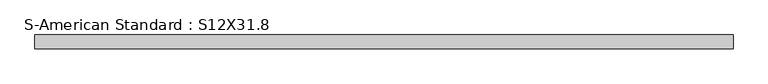
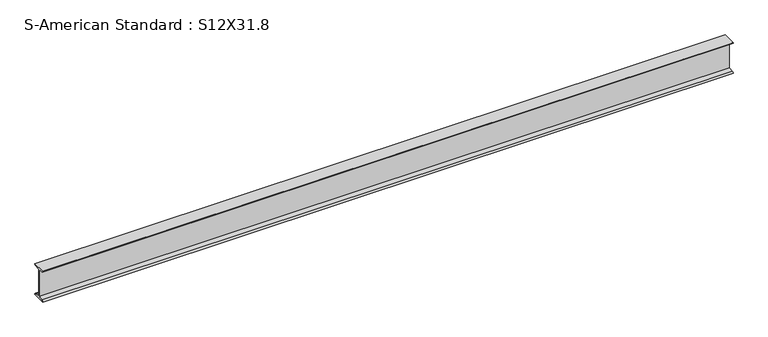
"""IFC4 building model written with IfcOpenShell, lengths in millimetres: beam geometry, S-American Standard : S12X31.8."""

from ifc_helpers import new_model, si_unit, point, frame, frame_2d, origin, place, context, project, spatial, polyline, circle_curve, trimmed, segment, composite_curve, outline, extrude, source, transform, mapped, element, save


def s_american_standard_s12x31_8_31b8485e(model_context):
    return source(origin(), model_context, "Body", "SweptSolid", [
        extrude(outline(composite_curve([segment(polyline([(-63.5, 152.4), (63.5, 152.4)]), True, "CONTINUOUS"), segment(trimmed(circle_curve(frame_2d((49.7, 152.4)), 13.8), [point((63.5, 152.4))], [point((49.7, 138.6))], False, "CARTESIAN"), True, "CONTINUOUS"), segment(polyline([(49.7, 138.6), (4.45, 131.4331041), (4.45, -131.4331041), (49.7, -138.6)]), True, "CONTINUOUS"), segment(trimmed(circle_curve(frame_2d((49.7, -152.4)), 13.8), [point((49.7, -138.6))], [point((63.5, -152.4))], False, "CARTESIAN"), True, "CONTINUOUS"), segment(polyline([(63.5, -152.4), (-63.5, -152.4)]), True, "CONTINUOUS"), segment(trimmed(circle_curve(frame_2d((-49.7, -152.4)), 13.8), [point((-63.5, -152.4))], [point((-49.7, -138.6))], False, "CARTESIAN"), True, "CONTINUOUS"), segment(polyline([(-49.7, -138.6), (-4.45, -131.4331041), (-4.45, 131.4331041), (-49.7, 138.6)]), True, "CONTINUOUS"), segment(trimmed(circle_curve(frame_2d((-49.7, 152.4)), 13.8), [point((-49.7, 138.6))], [point((-63.5, 152.4))], False, "CARTESIAN"), True, "CONTINUOUS")], self_intersect=False)), frame((-3205.4944159, 0.0, 0.0), z_axis=(1.0, 0.0, 0.0), x_axis=(0.0, 1.0, 0.0)), (0.0, 0.0, 1.0), 6471.5001848),
    ])


if __name__ == "__main__":
    model = new_model("IFC4")
    model_context = context("Model", 3, world=origin())
    ifc_project = project(units=[si_unit("LENGTHUNIT", "METRE", prefix="MILLI")], contexts=[model_context])
    site = spatial("IfcSite", under=ifc_project)
    building = spatial("IfcBuilding", under=site)
    placement = place(None, origin())
    s_american_standard_s12x31_8_shape = s_american_standard_s12x31_8_31b8485e(model_context)
    element("IfcBeam", 1, ObjectType="S-American Standard : S12X31.8", at=placement, inside=building, context=model_context, shape_type="MappedRepresentation", body=[
        mapped(s_american_standard_s12x31_8_shape, transform((0.0, 0.0, 0.0), x_axis=(1.0, 0.0, 0.0), y_axis=(0.0, 1.0, 0.0), z_axis=(0.0, 0.0, 1.0))),
    ])
    save(model, "model.ifc")
